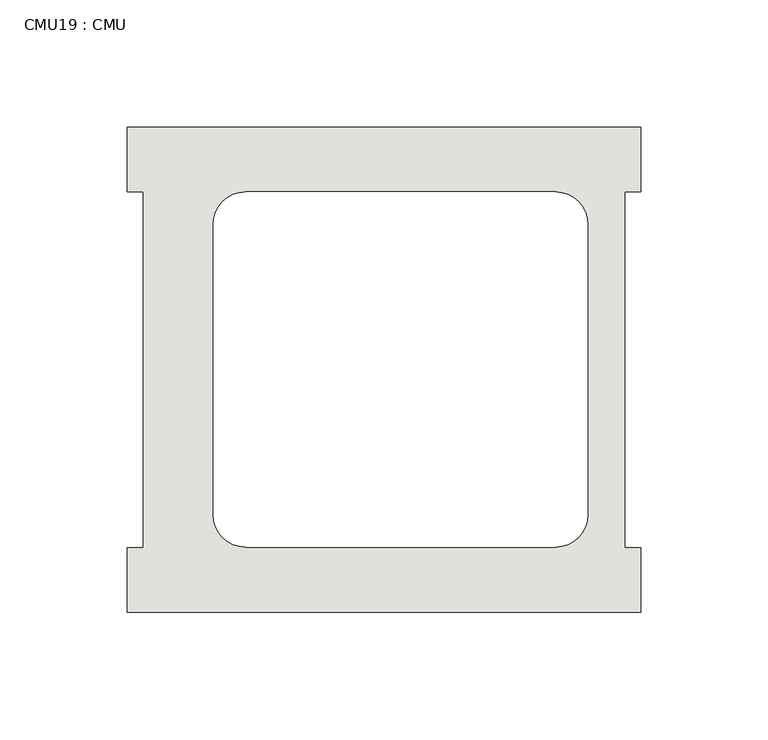
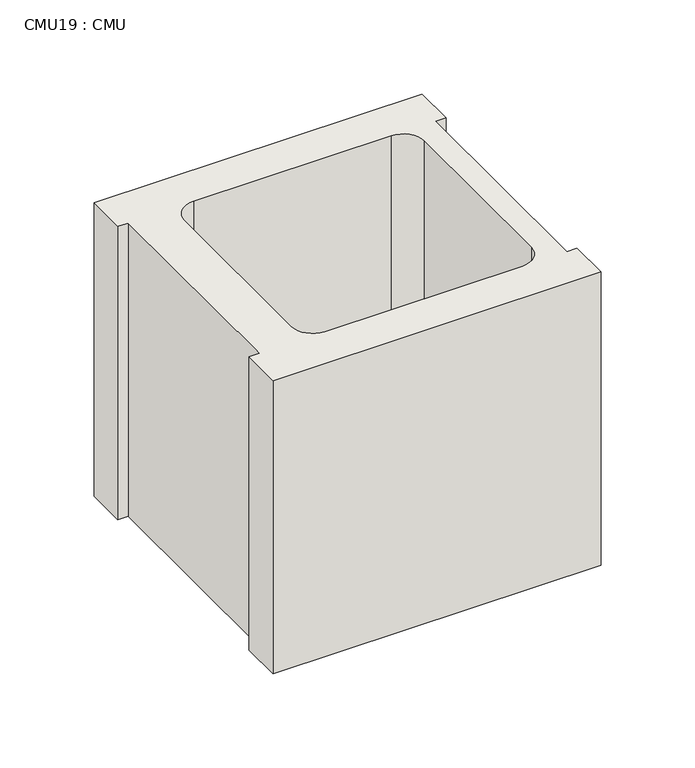
"""IFC4 building model written with IfcOpenShell, lengths in millimetres: wall geometry, CMU19 : CMU."""

from ifc_helpers import new_model, si_unit, point, frame_2d, origin, origin_with_axes, place, context, project, spatial, polyline, circle_curve, trimmed, segment, composite_curve, outline, extrude, source, transform, mapped, element, save


def cmu19_cmu_918ced28(model_context):
    return source(origin(), model_context, "Body", "SweptSolid", [
        extrude(outline(polyline([(378.9089018, 3347.4652891), (580.5214018, 3347.4652891), (580.5214018, 3322.0652891), (574.1714018, 3322.0652891), (574.1714018, 3182.3652891), (580.5214018, 3182.3652891), (580.5214018, 3156.9652891), (378.9089018, 3156.9652891), (378.9089018, 3182.3652891), (385.2589018, 3182.3652891), (385.2589018, 3322.0652891), (378.9089018, 3322.0652891), (378.9089018, 3347.4652891)]), holes=[composite_curve([segment(polyline([(547.0769005, 3322.0652891), (425.3602504, 3322.0652891)]), True, "CONTINUOUS"), segment(trimmed(circle_curve(frame_2d((425.3602504, 3309.3652891)), 12.7), [point((425.3602504, 3322.0652891))], [point((412.6602504, 3309.3652891))], True, "CARTESIAN"), True, "CONTINUOUS"), segment(polyline([(412.6602504, 3309.3652891), (412.6602504, 3195.2994494)]), True, "CONTINUOUS"), segment(trimmed(circle_curve(frame_2d((425.3602504, 3195.2994494)), 12.7), [point((412.6602504, 3195.2994494))], [point((425.3602504, 3182.5994494))], True, "CARTESIAN"), True, "CONTINUOUS"), segment(polyline([(425.3602504, 3182.5994494), (547.0769005, 3182.5994494)]), True, "CONTINUOUS"), segment(trimmed(circle_curve(frame_2d((547.0769005, 3195.2994494)), 12.7), [point((547.0769005, 3182.5994494))], [point((559.7769005, 3195.2994494))], True, "CARTESIAN"), True, "CONTINUOUS"), segment(polyline([(559.7769005, 3195.2994494), (559.7769005, 3309.3652891)]), True, "CONTINUOUS"), segment(trimmed(circle_curve(frame_2d((547.0769005, 3309.3652891)), 12.7), [point((559.7769005, 3309.3652891))], [point((547.0769005, 3322.0652891))], True, "CARTESIAN"), True, "CONTINUOUS")], self_intersect=False)]), origin_with_axes(), (0.0, 0.0, 1.0), 190.5),
    ])


if __name__ == "__main__":
    model = new_model("IFC4")
    model_context = context("Model", 3, world=origin())
    ifc_project = project(units=[si_unit("LENGTHUNIT", "METRE", prefix="MILLI")], contexts=[model_context])
    site = spatial("IfcSite", under=ifc_project)
    building = spatial("IfcBuilding", under=site)
    placement = place(None, origin())
    cmu19_cmu_shape = cmu19_cmu_918ced28(model_context)
    element("IfcWall", 1, ObjectType="CMU19 : CMU", at=placement, inside=building, context=model_context, shape_type="MappedRepresentation", body=[
        mapped(cmu19_cmu_shape, transform((0.0, 0.0, 0.0), x_axis=(1.0, 0.0, 0.0), y_axis=(0.0, 1.0, 0.0), z_axis=(0.0, 0.0, 1.0))),
    ])
    save(model, "model.ifc")
